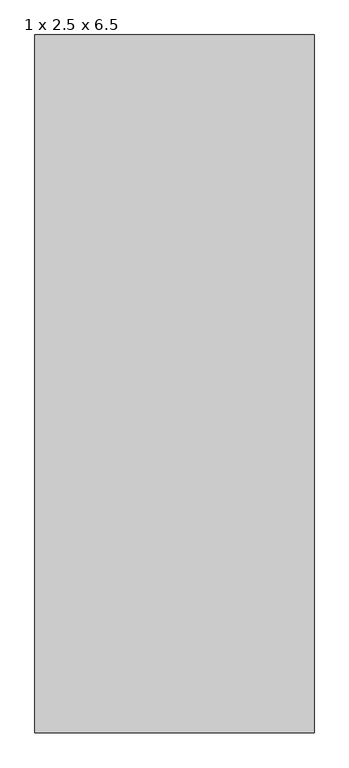
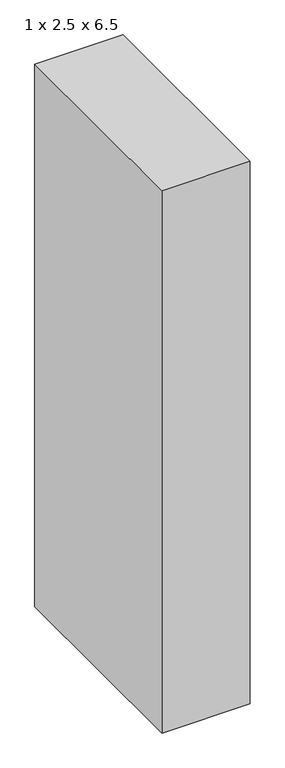
"""IFC4 building model written with IfcOpenShell, lengths in millimetres: proxy geometry, 1 x 2.5 x 6.5."""

from ifc_helpers import new_model, si_unit, origin, origin_with_axes, place, context, project, spatial, polyline, outline, extrude, source, transform, mapped, element, save


def proxy_1_x_2_5_x_6_5_03eb12bf(model_context):
    return source(origin(), model_context, "Body", "SweptSolid", [
        extrude(outline(polyline([(1000.0, 2500.0), (1000.0, 0.0), (0.0, 0.0), (0.0, 2500.0), (1000.0, 2500.0)])), origin_with_axes(), (0.0, 0.0, 1.0), 6500.0),
    ])


if __name__ == "__main__":
    model = new_model("IFC4")
    model_context = context("Model", 3, world=origin())
    ifc_project = project(units=[si_unit("LENGTHUNIT", "METRE", prefix="MILLI")], contexts=[model_context])
    site = spatial("IfcSite", under=ifc_project)
    building = spatial("IfcBuilding", under=site)
    placement = place(None, origin())
    proxy_1_x_2_5_x_6_5_shape = proxy_1_x_2_5_x_6_5_03eb12bf(model_context)
    element("IfcBuildingElementProxy", 1, Name="1 x 2.5 x 6.5", ObjectType="1 x 2.5 x 6.5", at=placement, inside=building, context=model_context, shape_type="MappedRepresentation", body=[
        mapped(proxy_1_x_2_5_x_6_5_shape, transform((0.0, 0.0, 0.0), x_axis=(1.0, 0.0, 0.0), y_axis=(0.0, 1.0, 0.0), z_axis=(0.0, 0.0, 1.0))),
    ])
    save(model, "model.ifc")
